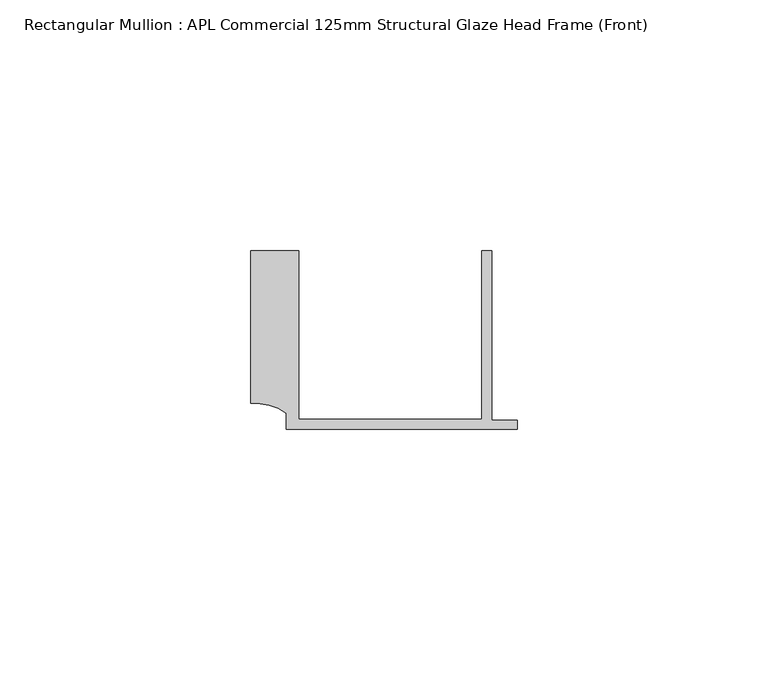
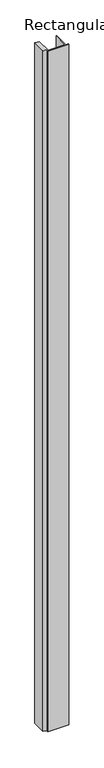
"""IFC4 building model written with IfcOpenShell, lengths in millimetres: member geometry, Rectangular Mullion : APL Commercial 125mm Structural Glaze Head Frame (Front)."""

from ifc_helpers import new_model, si_unit, point, frame, frame_2d, origin, place, context, project, spatial, polyline, circle_curve, trimmed, segment, composite_curve, outline, extrude, source, transform, mapped, element, save


def rectangular_mullion_apl_commercial_125mm_structural_glaze_7703bd73(model_context):
    return source(origin(), model_context, "Body", "SweptSolid", [
        extrude(outline(composite_curve([segment(polyline([(-52.9999542, 15.0), (-43.5000151, 15.0), (-43.5000151, -18.5002486), (-7.0, -18.5002486), (-7.0, 15.0), (-5.0, 15.0), (-5.0, -18.7002486), (0.0, -18.7002486), (0.0, -20.5002486), (-45.9999994, -20.5002486), (-45.9999994, -17.3126154)]), True, "CONTINUOUS"), segment(trimmed(circle_curve(frame_2d((-52.109817, -25.7982641)), 10.4563907), [point((-45.9999994, -17.3126154))], [point((-52.9999542, -15.3798304))], True, "CARTESIAN"), True, "CONTINUOUS"), segment(polyline([(-52.9999542, -15.3798304), (-52.9999542, 15.0)]), True, "CONTINUOUS")], self_intersect=False)), frame((0.0, 0.0, -1568.0001218), z_axis=(0.0, 0.0, 1.0), x_axis=(1.0, 0.0, 0.0)), (0.0, 0.0, 1.0), 1568.0001218),
    ])


if __name__ == "__main__":
    model = new_model("IFC4")
    model_context = context("Model", 3, world=origin())
    ifc_project = project(units=[si_unit("LENGTHUNIT", "METRE", prefix="MILLI")], contexts=[model_context])
    site = spatial("IfcSite", under=ifc_project)
    building = spatial("IfcBuilding", under=site)
    placement = place(None, origin())
    rectangular_mullion_apl_commercial_125mm_structural_glaze_shape = rectangular_mullion_apl_commercial_125mm_structural_glaze_7703bd73(model_context)
    element("IfcMember", 1, ObjectType="Rectangular Mullion : APL Commercial 125mm Structural Glaze Head Frame (Front)", at=placement, inside=building, context=model_context, shape_type="MappedRepresentation", body=[
        mapped(rectangular_mullion_apl_commercial_125mm_structural_glaze_shape, transform((0.0, 0.0, 0.0), x_axis=(1.0, 0.0, 0.0), y_axis=(0.0, 1.0, 0.0), z_axis=(0.0, 0.0, 1.0))),
    ])
    save(model, "model.ifc")
